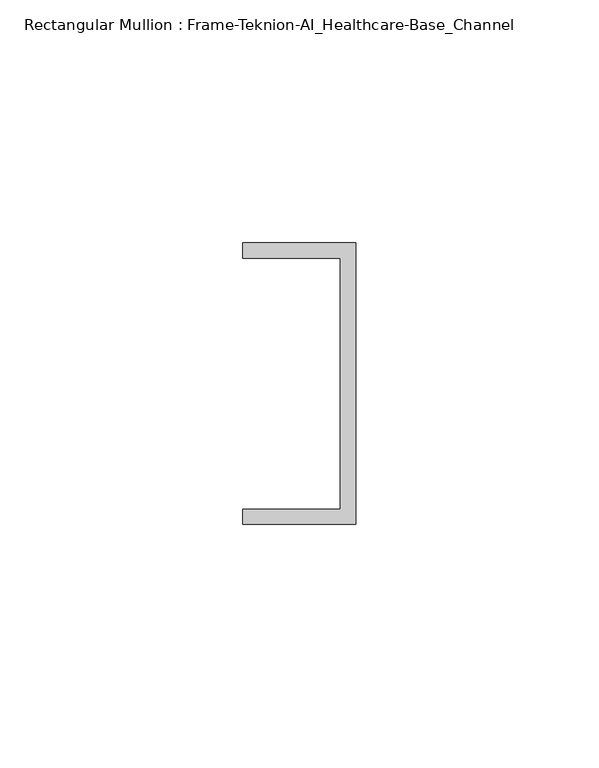
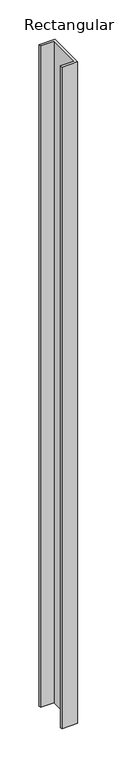
"""IFC4 building model written with IfcOpenShell, lengths in millimetres: member geometry, Rectangular Mullion : Frame-Teknion-AI_Healthcare-Base_Channel."""

from ifc_helpers import new_model, si_unit, frame, origin, place, context, project, spatial, polyline, outline, extrude, source, transform, mapped, element, save


def rectangular_mullion_frame_teknion_ai_healthcare_base_channel_61350ea4(model_context):
    return source(origin(), model_context, "Body", "SweptSolid", [
        extrude(outline(polyline([(0.0, 29.0214844), (0.0, -29.0214844), (-23.3164063, -29.0214844), (-23.3164063, -25.8464844), (-3.175, -25.8464844), (-3.175, 25.8464844), (-23.3164063, 25.8464844), (-23.3164063, 29.0214844), (0.0, 29.0214844)])), frame((0.0, 0.0, -1028.7), z_axis=(0.0, 0.0, 1.0), x_axis=(1.0, 0.0, 0.0)), (0.0, 0.0, 1.0), 1028.7),
    ])


if __name__ == "__main__":
    model = new_model("IFC4")
    model_context = context("Model", 3, world=origin())
    ifc_project = project(units=[si_unit("LENGTHUNIT", "METRE", prefix="MILLI")], contexts=[model_context])
    site = spatial("IfcSite", under=ifc_project)
    building = spatial("IfcBuilding", under=site)
    placement = place(None, origin())
    rectangular_mullion_frame_teknion_ai_healthcare_base_channel_shape = rectangular_mullion_frame_teknion_ai_healthcare_base_channel_61350ea4(model_context)
    element("IfcMember", 1, ObjectType="Rectangular Mullion : Frame-Teknion-AI_Healthcare-Base_Channel", at=placement, inside=building, context=model_context, shape_type="MappedRepresentation", body=[
        mapped(rectangular_mullion_frame_teknion_ai_healthcare_base_channel_shape, transform((0.0, 0.0, 0.0), x_axis=(1.0, 0.0, 0.0), y_axis=(0.0, 1.0, 0.0), z_axis=(0.0, 0.0, 1.0))),
    ])
    save(model, "model.ifc")
